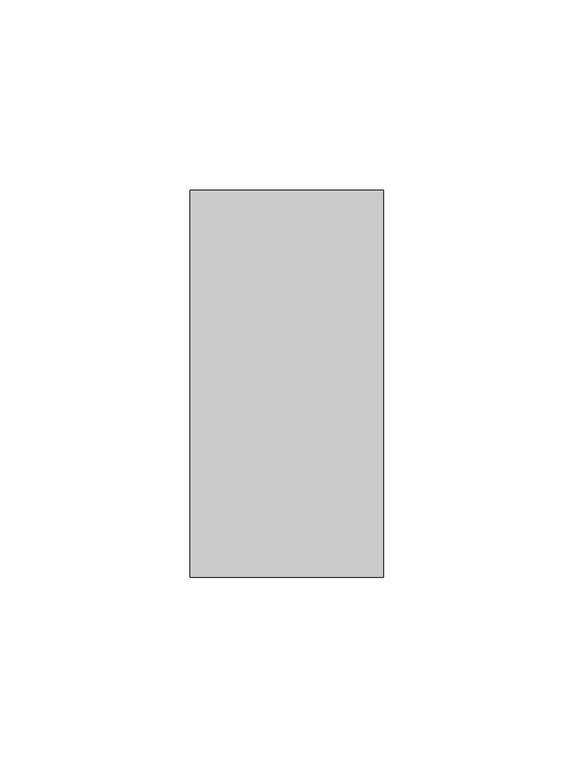
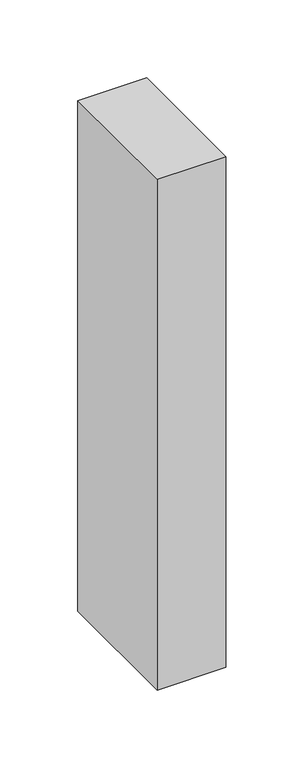
"""IFC4 building model written with IfcOpenShell, lengths in millimetres: proxy geometry."""

import ifcopenshell
import ifcopenshell.guid

model = None  # the IFC model being written
_history = None  # IfcOwnerHistory: only IFC2X3 demands one
_inside = {}  # id of a spatial element -> (the spatial element, [elements in it])
_under = {}  # id of a project, library or spatial element -> (it, [spatial elements below it])
_declared = {}  # id of a project -> (the project, [libraries it declares])
_typed = {}  # id of a type object -> (the type object, [elements of that type])
_made_of = {}  # id of a material, layer set ... -> (it, [elements and type objects made of it])


def new_model(schema):
    """Start an empty IFC model of exactly this schema.

    Asked for "IFC4X3", IfcOpenShell would pick the latest addendum, in which some entities
    have other attributes; the version numbers below select the first issue.
    IFC2X3 requires an IfcOwnerHistory on every rooted entity: one is made here for all.
    """
    global model, _history
    if schema == "IFC4X3":
        model = ifcopenshell.file(schema_version=(4, 3, 0, 0))
    else:
        model = ifcopenshell.file(schema=schema)
    _inside.clear()
    _under.clear()
    _declared.clear()
    _typed.clear()
    _made_of.clear()
    _history = None
    if model.schema == "IFC2X3":
        org = make("IfcOrganization", Name="unknown")
        user = make(
            "IfcPersonAndOrganization",
            ThePerson=make("IfcPerson", FamilyName="unknown"),
            TheOrganization=org,
        )
        app = make(
            "IfcApplication",
            ApplicationDeveloper=org,
            Version="unknown",
            ApplicationFullName="unknown",
            ApplicationIdentifier="unknown",
        )
        _history = make(
            "IfcOwnerHistory",
            OwningUser=user,
            OwningApplication=app,
            ChangeAction="ADDED",
            CreationDate=0,
        )
    return model


def make(cls, **values):
    """One entity of the class cls with the attributes given. An attribute that is None is left unset."""
    return model.create_entity(
        cls, **{name: value for name, value in values.items() if value is not None}
    )


def rooted(cls, **values):
    """An entity with a GlobalId (a new one), such as an element, a storey or a relation."""
    return make(cls, GlobalId=ifcopenshell.guid.new(), OwnerHistory=_history, **values)


def si_unit(unit_type, name, prefix=None):
    """IfcSIUnit, for example si_unit("LENGTHUNIT", "METRE", prefix="MILLI")."""
    return make("IfcSIUnit", UnitType=unit_type, Prefix=prefix, Name=name)


def assignment(units):
    """IfcUnitAssignment: the units of a project."""
    return None if units is None else make("IfcUnitAssignment", Units=units)


def point(xyz):
    """IfcCartesianPoint."""
    return None if xyz is None else make("IfcCartesianPoint", Coordinates=xyz)


def direction(xyz):
    """IfcDirection."""
    return None if xyz is None else make("IfcDirection", DirectionRatios=xyz)


def frame(location, z_axis=None, x_axis=None):
    """IfcAxis2Placement3D, a coordinate frame: its origin and axes. An axis left out is left unset."""
    return make(
        "IfcAxis2Placement3D",
        Location=point(location),
        Axis=direction(z_axis),
        RefDirection=direction(x_axis),
    )


def origin():
    """The frame at (0, 0, 0) with its axes left unset."""
    return frame((0.0, 0.0, 0.0))


def origin_with_axes():
    """The frame at (0, 0, 0) with the z axis (0, 0, 1) and the x axis (1, 0, 0) written out."""
    return frame((0.0, 0.0, 0.0), z_axis=(0.0, 0.0, 1.0), x_axis=(1.0, 0.0, 0.0))


def place(relative_to, where):
    """IfcLocalPlacement: puts the frame where relative to a parent placement (None: the world)."""
    return make(
        "IfcLocalPlacement", PlacementRelTo=relative_to, RelativePlacement=where
    )


def context(
    kind, dimensions, precision=None, world=None, true_north=None, identifier=None
):
    """IfcGeometricRepresentationContext, for example the 3D "Model" context."""
    return make(
        "IfcGeometricRepresentationContext",
        ContextIdentifier=identifier,
        ContextType=kind,
        CoordinateSpaceDimension=dimensions,
        Precision=precision,
        WorldCoordinateSystem=world,
        TrueNorth=true_north,
    )


def project(units=None, contexts=None):
    """IfcProject with its units and contexts."""
    return rooted(
        "IfcProject",
        Name="project",
        RepresentationContexts=contexts,
        UnitsInContext=assignment(units),
    )


def spatial(cls, under=None, at=None, **own):
    """A site, building, storey or space (cls), placed at a placement, below another one or the project."""
    s = rooted(cls, ObjectPlacement=at, **own)
    if under is not None:
        _under.setdefault(under.id(), (under, []))[1].append(s)
    return s


def polyline(points):
    """IfcPolyline through the points."""
    return make("IfcPolyline", Points=[point(p) for p in points])


def outline(outer, holes=None, kind="AREA"):
    """IfcArbitraryClosedProfileDef: a profile drawn as a closed curve; with holes, ...WithVoids."""
    if holes is None:
        return make("IfcArbitraryClosedProfileDef", ProfileType=kind, OuterCurve=outer)
    return make(
        "IfcArbitraryProfileDefWithVoids",
        ProfileType=kind,
        OuterCurve=outer,
        InnerCurves=holes,
    )


def extrude(swept, where, along, depth):
    """IfcExtrudedAreaSolid: the profile swept, set in the frame where, extruded along a direction by depth."""
    return make(
        "IfcExtrudedAreaSolid",
        SweptArea=swept,
        Position=where,
        ExtrudedDirection=direction(along),
        Depth=depth,
    )


def shape(context_of_items, identifier, shape_type, items):
    """IfcShapeRepresentation: the items that make up one representation, for example the "Body"."""
    return make(
        "IfcShapeRepresentation",
        ContextOfItems=context_of_items,
        RepresentationIdentifier=identifier,
        RepresentationType=shape_type,
        Items=items,
    )


def source(mapping_origin, context_of_items, identifier, shape_type, items):
    """IfcRepresentationMap: a shape defined once, which mapped items show again and again."""
    return make(
        "IfcRepresentationMap",
        MappingOrigin=mapping_origin,
        MappedRepresentation=shape(context_of_items, identifier, shape_type, items),
    )


def transform(
    local_origin,
    x_axis=None,
    y_axis=None,
    z_axis=None,
    scale=None,
    scale2=None,
    scale3=None,
    uniform=True,
):
    """IfcCartesianTransformationOperator3D, or its non-uniform kind. x_axis, y_axis, z_axis: its Axis1, 2, 3."""
    if uniform:
        return make(
            "IfcCartesianTransformationOperator3D",
            Axis1=direction(x_axis),
            Axis2=direction(y_axis),
            LocalOrigin=point(local_origin),
            Scale=scale,
            Axis3=direction(z_axis),
        )
    return make(
        "IfcCartesianTransformationOperator3DnonUniform",
        Axis1=direction(x_axis),
        Axis2=direction(y_axis),
        LocalOrigin=point(local_origin),
        Scale=scale,
        Axis3=direction(z_axis),
        Scale2=scale2,
        Scale3=scale3,
    )


def mapped(mapping_source, mapping_target):
    """IfcMappedItem: shows the shape of a source again, moved by a transform."""
    return make(
        "IfcMappedItem", MappingSource=mapping_source, MappingTarget=mapping_target
    )


def made_of(thing, what):
    """Note that an element or type object is made of a material, layer set ...; save() writes the relation."""
    if what is not None:
        _made_of.setdefault(what.id(), (what, []))[1].append(thing)
    return thing


def element(
    cls,
    number,
    at=None,
    inside=None,
    cuts=None,
    type_object=None,
    material=None,
    context=None,
    identifier="Body",
    shape_type=None,
    held_by="IfcProductDefinitionShape",
    body=None,
    shapes=None,
    **own,
):
    """One element of the class cls, such as IfcWall. Its Tag is "e" and its number.

    at: its placement. inside: the storey or other place that contains it. cuts: it is an
    opening in that element (IfcRelVoidsElement). A single representation is given by context,
    identifier, shape_type and body (its items); several are given by shapes. held_by: the class
    of the entity that holds the representations. save() writes the other relations.
    """
    e = rooted(cls, Tag="e%d" % number, ObjectPlacement=at, **own)
    if body is not None:
        shapes = [shape(context, identifier, shape_type, body)]
    if shapes is not None:
        e.Representation = make(held_by, Representations=shapes)
    if inside is not None:
        _inside.setdefault(inside.id(), (inside, []))[1].append(e)
    if cuts is not None:
        rooted(
            "IfcRelVoidsElement", RelatingBuildingElement=cuts, RelatedOpeningElement=e
        )
    if type_object is not None:
        _typed.setdefault(type_object.id(), (type_object, []))[1].append(e)
    return made_of(e, material)


def aggregate(whole, parts):
    """IfcRelAggregates: a whole, such as a stair, and the parts it consists of."""
    return rooted("IfcRelAggregates", RelatingObject=whole, RelatedObjects=parts)


def save(model, path):
    """Write the relations noted so far, then the file.

    IfcRelAggregates (storeys below a building ...), IfcRelContainedInSpatialStructure (elements
    in a storey), IfcRelDefinesByType, IfcRelAssociatesMaterial and IfcRelDeclares: one each for
    every whole, place, type object, material and project.
    """
    for whole, parts in _under.values():
        aggregate(whole, parts)
    for where, things in _inside.values():
        rooted(
            "IfcRelContainedInSpatialStructure",
            RelatedElements=things,
            RelatingStructure=where,
        )
    for kind, things in _typed.values():
        rooted("IfcRelDefinesByType", RelatedObjects=things, RelatingType=kind)
    for what, things in _made_of.values():
        rooted("IfcRelAssociatesMaterial", RelatedObjects=things, RelatingMaterial=what)
    for by, libraries in _declared.values():
        rooted("IfcRelDeclares", RelatingContext=by, RelatedDefinitions=libraries)
    model.write(path)


def generic_models_26c4efe2(model_context):
    return source(origin(), model_context, "Body", "SweptSolid", [
        extrude(outline(polyline([(50.8, 0.0), (0.0, 0.0), (0.0, 101.6), (50.8, 101.6), (50.8, 0.0)])), origin_with_axes(), (0.0, 0.0, 1.0), 400.0),
    ])


if __name__ == "__main__":
    model = new_model("IFC4")
    model_context = context("Model", 3, world=origin())
    ifc_project = project(units=[si_unit("LENGTHUNIT", "METRE", prefix="MILLI")], contexts=[model_context])
    site = spatial("IfcSite", under=ifc_project)
    building = spatial("IfcBuilding", under=site)
    placement = place(None, origin())
    generic_models_shape = generic_models_26c4efe2(model_context)
    element("IfcBuildingElementProxy", 1, Name="Generic Models", at=placement, inside=building, context=model_context, shape_type="MappedRepresentation", body=[
        mapped(generic_models_shape, transform((0.0, 0.0, 0.0), x_axis=(1.0, 0.0, 0.0), y_axis=(0.0, 1.0, 0.0), z_axis=(0.0, 0.0, 1.0))),
    ])
    save(model, "model.ifc")
